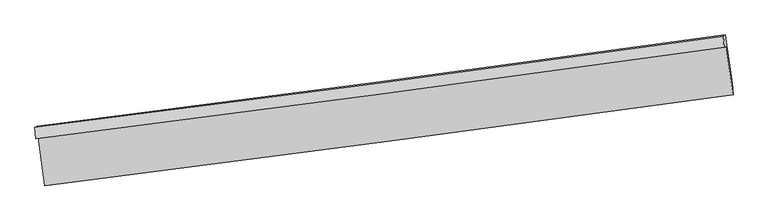
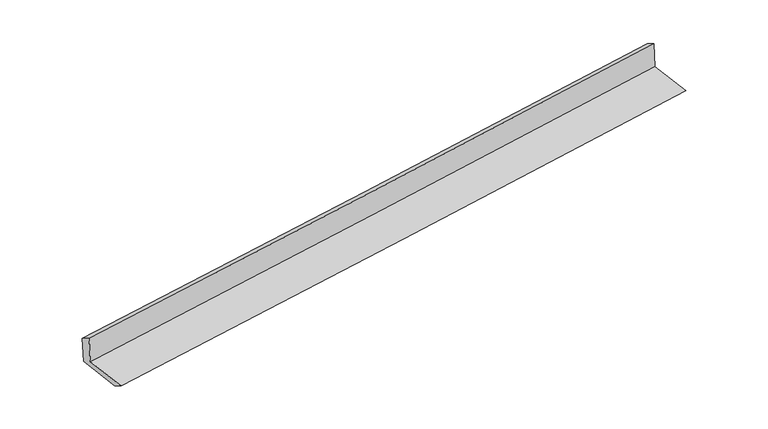
"""IFC4 building model written with IfcOpenShell, lengths in millimetres: proxy geometry."""

from ifc_helpers import new_model, si_unit, frame, origin, place, context, project, spatial, source, transform, mapped, element, save
from ifc_brep_helpers import plane_surface, spline_curve, spline_surface, advanced_brep


def generic_models_c0c703f3(model_context):
    return source(origin(), model_context, "Body", "AdvancedBrep", [
        advanced_brep(
        [(-4754.3023031, -2137.4615259, 1901.76705), (-4725.0993412, -2119.3741445, 1503.2437011), (4690.5036345, -871.8973575, 2259.8545591), (4662.0307448, -889.5325556, 2648.41485), (-4768.4922882, -1983.3433984, 1817.0449141), (4647.8407597, -735.4144281, 2563.6927141), (-4739.6698652, -1965.4917106, 1423.7146551), (4675.9331105, -718.0149236, 2180.3255132), (-4646.7790633, -2635.9884417, 1400.0903339), (4767.4524516, -1378.6122893, 2157.0499868), (-4633.3283828, -2781.7877137, 1479.9041825), (4782.2745929, -1534.3109267, 2236.5150405)],
        [
            (0, 1),
            (1, 2, spline_curve(3, [(-4725.0993412, -2119.3741445, 1503.2437011), (-3159.163959562, -1922.102431017, 1631.959380052), (-1593.775773551, -1719.817782809, 1759.194353643), (1544.764764383, -1304.04910395, 2011.414784674), (3117.910903995, -1090.508156959, 2136.38343059), (4690.5036345, -871.8973575, 2259.8545591)], [4, 2, 4], [0.0, 15.585846553245009, 31.25992450998633])),
            (2, 3),
            (3, 0, spline_curve(3, [(4662.0307448, -889.5325556, 2648.41485), (3089.560727174, -1108.06735041, 2523.269098299), (1516.414587662, -1321.608297823, 2398.300452383), (-1622.370685263, -1737.528557098, 2149.419841064), (-3188.002228758, -1939.963933497, 2025.505886563), (-4754.3023031, -2137.4615259, 1901.76705)], [4, 2, 4], [0.0, 15.674077956741321, 31.25992450998633])),
            (4, 0),
            (3, 5),
            (5, 4, spline_curve(3, [(4647.8407597, -735.4144281, 2563.6927141), (3075.37074212, -953.94922295, 2438.546962457), (1502.224602631, -1167.490169889, 2313.578316532), (-1636.560670432, -1583.41043003, 2064.697705116), (-3202.192213672, -1785.845806229, 1940.783750816), (-4768.4922882, -1983.3433984, 1817.0449141)], [4, 2, 4], [0.0, 15.674073237951722, 31.259915098969806])),
            (6, 4),
            (5, 7),
            (7, 6, spline_curve(3, [(4675.9331105, -718.0149236, 2180.3255132), (3103.340379995, -936.625723059, 2056.85438469), (1530.194240483, -1150.16666995, 1931.885738774), (-1608.346297451, -1565.935348809, 1679.665307743), (-3173.734483562, -1768.219997117, 1552.430334052), (-4739.6698652, -1965.4917106, 1423.7146551)], [4, 2, 4], [0.0, 15.674077956741302, 31.25992450998629])),
            (8, 6),
            (7, 9),
            (9, 8, spline_curve(3, [(4767.4524516, -1378.6122893, 2157.0499868), (3194.629201053, -1595.559171446, 2033.637485038), (1621.483062218, -1809.100118207, 1908.668839042), (-1516.597734609, -2228.187265546, 1656.331484692), (-3081.528767055, -2433.77170249, 1528.980246242), (-4646.7790633, -2635.9884417, 1400.0903339)], [4, 2, 4], [0.0, 15.674040206336548, 31.259849221678675])),
            (10, 8),
            (9, 11),
            (11, 10, spline_curve(3, [(4782.2745929, -1534.3109267, 2236.5150405), (3209.68186203, -1752.921726292, 2113.043912081), (1636.535723195, -1966.462673053, 1988.075266084), (-1502.004815361, -2382.231351906, 1735.854835033), (-3067.39300141, -2584.516000491, 1608.619861083), (-4633.3283828, -2781.7877137, 1479.9041825)], [4, 2, 4], [0.0, 15.674040206336556, 31.259849221678692])),
            (1, 10),
            (11, 2),
        ],
        [
            spline_surface(3, 3, [[(-4754.3023031, -2137.4615259, 1901.76705), (-3188.002228813, -1939.963933698, 2025.505886574), (-1622.370685376, -1737.528557281, 2149.419840869), (1516.414587775, -1321.608297639, 2398.30045258), (3089.560726986, -1108.067350612, 2523.269098276), (4662.0307448, -889.5325556, 2648.41485)], [(-4744.567982496, -2131.432398747, 1768.925933688), (-3178.389472422, -1934.010099534, 1894.323717662), (-1612.839048114, -1731.624965714, 2019.344678402), (1525.864646692, -1315.755233092, 2269.338563317), (3099.010785904, -1102.214286065, 2394.307209013), (4671.521708017, -883.654156237, 2518.894753024)], [(-4734.833661804, -2125.403271653, 1636.084817412), (-3168.776715945, -1928.05626543, 1763.141548786), (-1603.307410905, -1725.721374238, 1889.269515965), (1535.314705558, -1309.902168635, 2140.376674083), (3108.460844869, -1096.361221508, 2265.345319779), (4681.012671283, -877.775756863, 2389.374656076)], [(-4725.0993412, -2119.3741445, 1503.2437011), (-3159.163959554, -1922.102431267, 1631.959379874), (-1593.775773643, -1719.817782671, 1759.194353498), (1544.764764475, -1304.049104088, 2011.41478482), (3117.910903787, -1090.508156961, 2136.383430516), (4690.5036345, -871.8973575, 2259.8545591)]], [4, 4], [4, 2, 4], [0.0, 1.2794845144429834], [0.0, 15.585846553245009, 31.25992450998633]),
            spline_surface(3, 3, [[(-4768.4922882, -1983.3433984, 1817.0449141), (-3202.192213913, -1785.845806198, 1940.783750674), (-1636.560670476, -1583.410429781, 2064.697704969), (1502.224602675, -1167.490170139, 2313.57831668), (3075.370741886, -953.949223112, 2438.546962376), (4647.8407597, -735.4144281, 2563.6927141)], [(-4763.762293157, -2034.716107567, 1845.285626059), (-3197.46221887, -1837.218515365, 1969.024462633), (-1631.830675433, -1634.783138948, 2092.938416928), (1506.954597718, -1218.862879307, 2341.819028639), (3080.100736929, -1005.321932279, 2466.787674335), (4652.570754743, -786.787137267, 2591.933426059)], [(-4759.032298143, -2086.088816733, 1873.526338041), (-3192.732223856, -1888.59122453, 1997.265174615), (-1627.100680418, -1686.155848114, 2121.17912891), (1511.684592732, -1270.235588472, 2370.059740621), (3084.830731944, -1056.694641445, 2495.028386317), (4657.300749757, -838.159846433, 2620.174138041)], [(-4754.3023031, -2137.4615259, 1901.76705), (-3188.002228813, -1939.963933698, 2025.505886574), (-1622.370685376, -1737.528557281, 2149.419840869), (1516.414587775, -1321.608297639, 2398.30045258), (3089.560726986, -1108.067350612, 2523.269098276), (4662.0307448, -889.5325556, 2648.41485)]], [4, 4], [4, 2, 4], [0.0, 0.57887622203937], [0.0, 15.585841861018084, 31.259915098969806]),
            spline_surface(3, 3, [[(-4739.6698652, -1965.4917106, 1423.7146551), (-3173.734483554, -1768.219997367, 1552.430333874), (-1608.346297543, -1565.935348671, 1679.665307598), (1530.194240575, -1150.166670088, 1931.88573892), (3103.340379787, -936.625723061, 2056.854384616), (4675.9331105, -718.0149236, 2180.3255132)], [(-4749.277339529, -1971.442273223, 1554.824741424), (-3183.220393669, -1774.095267, 1681.881472798), (-1617.751088529, -1571.760375708, 1808.009440077), (1520.871027934, -1155.941170105, 2059.116598195), (3094.017167145, -942.400223078, 2184.085243891), (4666.568993558, -723.814758433, 2308.114580189)], [(-4758.884813871, -1977.392835777, 1685.934827776), (-3192.706303798, -1779.970536564, 1811.33261175), (-1627.15587949, -1577.585402745, 1936.35357249), (1511.547815317, -1161.715670122, 2186.347457405), (3084.693954528, -948.174723095, 2311.316103101), (4657.204876642, -729.614593267, 2435.903647111)], [(-4768.4922882, -1983.3433984, 1817.0449141), (-3202.192213913, -1785.845806198, 1940.783750674), (-1636.560670476, -1583.410429781, 2064.697704969), (1502.224602675, -1167.490170139, 2313.57831668), (3075.370741886, -953.949223112, 2438.546962376), (4647.8407597, -735.4144281, 2563.6927141)]], [4, 4], [4, 2, 4], [0.0, 1.2623836436871794], [0.0, 15.58584655324499, 31.25992450998629]),
            spline_surface(3, 3, [[(-4646.7790633, -2635.9884417, 1400.0903339), (-3081.528766907, -2433.771702556, 1528.980246008), (-1516.597734479, -2228.187265462, 1656.331484648), (1621.483062087, -1809.100118291, 1908.668839087), (3194.629201299, -1595.559171264, 2033.637484783), (4767.4524516, -1378.6122893, 2157.0499868)], [(-4677.742663933, -2412.489531318, 1407.965107635), (-3112.264005789, -2211.921134144, 1536.796941965), (-1547.180588825, -2007.436626551, 1664.109425625), (1591.053454925, -1589.455635576, 1916.407805691), (3164.199594136, -1375.914688549, 2041.376451387), (4736.946004575, -1158.413167419, 2164.808495593)], [(-4708.706264567, -2188.990620982, 1415.839881365), (-3142.999244672, -1990.070565778, 1544.613637917), (-1577.763443197, -1786.685987582, 1671.887366622), (1560.623847738, -1369.811152803, 1924.146772316), (3133.769986949, -1156.270205776, 2049.115418012), (4706.439557525, -938.214045481, 2172.567004407)], [(-4739.6698652, -1965.4917106, 1423.7146551), (-3173.734483554, -1768.219997367, 1552.430333874), (-1608.346297543, -1565.935348671, 1679.665307598), (1530.194240575, -1150.166670088, 1931.88573892), (3103.340379787, -936.625723061, 2056.854384616), (4675.9331105, -718.0149236, 2180.3255132)]], [4, 4], [4, 2, 4], [0.0, 2.1893001386302835], [0.0, 15.585809015342127, 31.259849221678675]),
            spline_surface(3, 3, [[(-4633.3283828, -2781.7877137, 1479.9041825), (-3067.393001154, -2584.516000467, 1608.619861274), (-1502.004815143, -2382.231351771, 1735.854834898), (1636.535722975, -1966.462673188, 1988.07526622), (3209.681862187, -1752.921726161, 2113.043911916), (4782.2745929, -1534.3109267, 2236.5150405)], [(-4637.811942957, -2733.187956382, 1453.299566328), (-3072.104923062, -2534.267901178, 1582.07332288), (-1506.869121587, -2330.883322982, 1709.347051485), (1631.518169347, -1914.008488203, 1961.606457179), (3204.664308559, -1700.467541176, 2086.575102875), (4777.333879135, -1482.41138088, 2210.02668927)], [(-4642.295503143, -2684.588199018, 1426.694950072), (-3076.816844999, -2484.019801845, 1555.526784402), (-1511.733428035, -2279.535294252, 1682.839268062), (1626.500615715, -1861.554303277, 1935.137648128), (3199.646754927, -1648.013356249, 2060.106293824), (4772.393165365, -1430.51183512, 2183.53833803)], [(-4646.7790633, -2635.9884417, 1400.0903339), (-3081.528766907, -2433.771702556, 1528.980246008), (-1516.597734479, -2228.187265462, 1656.331484648), (1621.483062087, -1809.100118291, 1908.668839087), (3194.629201299, -1595.559171264, 2033.637484783), (4767.4524516, -1378.6122893, 2157.0499868)]], [4, 4], [4, 2, 4], [0.0, 0.5756055556212927], [0.0, 15.585809015342136, 31.259849221678692]),
            spline_surface(3, 3, [[(-4725.0993412, -2119.3741445, 1503.2437011), (-3159.163959554, -1922.102431267, 1631.959379874), (-1593.775773643, -1719.817782671, 1759.194353498), (1544.764764475, -1304.049104088, 2011.41478482), (3117.910903787, -1090.508156961, 2136.383430516), (4690.5036345, -871.8973575, 2259.8545591)], [(-4694.509021728, -2340.178667563, 1495.463861566), (-3128.573640083, -2142.90695433, 1624.17954034), (-1563.185454171, -1940.622305734, 1751.414513964), (1575.355083947, -1524.853627152, 2003.634945286), (3148.501223259, -1311.312680024, 2128.603590982), (4721.093953972, -1092.701880563, 2252.074719566)], [(-4663.918702272, -2560.983190637, 1487.684022034), (-3097.983320626, -2363.711477404, 1616.399700808), (-1532.595134615, -2161.426828708, 1743.634674432), (1605.945403504, -1745.658150125, 1995.855105754), (3179.091542715, -1532.117203098, 2120.82375145), (4751.684273428, -1313.506403637, 2244.294880034)], [(-4633.3283828, -2781.7877137, 1479.9041825), (-3067.393001154, -2584.516000467, 1608.619861274), (-1502.004815143, -2382.231351771, 1735.854834898), (1636.535722975, -1966.462673188, 1988.07526622), (3209.681862187, -1752.921726161, 2113.043911916), (4782.2745929, -1534.3109267, 2236.5150405)]], [4, 4], [4, 2, 4], [0.0, 2.1953658181298596], [0.0, 15.585860629907058, 31.259952742998344]),
            plane_surface(frame((4704.3392157, -1021.2970802, 2340.9754439), z_axis=(0.9878567196002216, 0.1340929835933732, 0.0784740294092042), x_axis=(-0.13714608248236276, 0.9899365503689127, 0.03487948255691567))),
            plane_surface(frame((-4711.2785406, -2270.5744891, 1587.6274728), z_axis=(-0.9878567196002184, -0.13409298359338323, -0.07847402940922749), x_axis=(-0.07300721608466958, -0.04521833693010534, 0.9963058006479948))),
        ],
        [
            (0, [[1, 2, 3, 4]]),
            (1, [[5, -4, 6, 7]]),
            (2, [[8, -7, 9, 10]]),
            (3, [[11, -10, 12, 13]]),
            (4, [[14, -13, 15, 16]]),
            (5, [[17, -16, 18, -2]]),
            (6, [[-12, -9, -6, -3, -18, -15]]),
            (7, [[-1, -5, -8, -11, -14, -17]]),
        ],
    ),
    ])


if __name__ == "__main__":
    model = new_model("IFC4")
    model_context = context("Model", 3, world=origin())
    ifc_project = project(units=[si_unit("LENGTHUNIT", "METRE", prefix="MILLI")], contexts=[model_context])
    site = spatial("IfcSite", under=ifc_project)
    building = spatial("IfcBuilding", under=site)
    placement = place(None, origin())
    generic_models_shape = generic_models_c0c703f3(model_context)
    element("IfcBuildingElementProxy", 1, Name="Generic Models", at=placement, inside=building, context=model_context, shape_type="MappedRepresentation", body=[
        mapped(generic_models_shape, transform((0.0, 0.0, 0.0), x_axis=(1.0, 0.0, 0.0), y_axis=(0.0, 1.0, 0.0), z_axis=(0.0, 0.0, 1.0))),
    ])
    save(model, "model.ifc")
